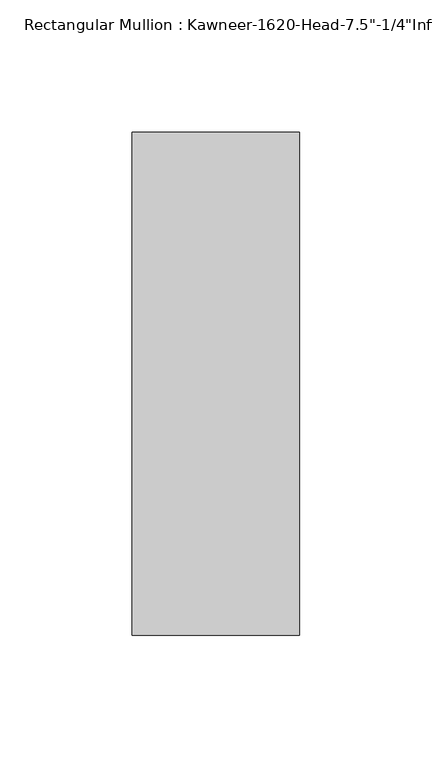
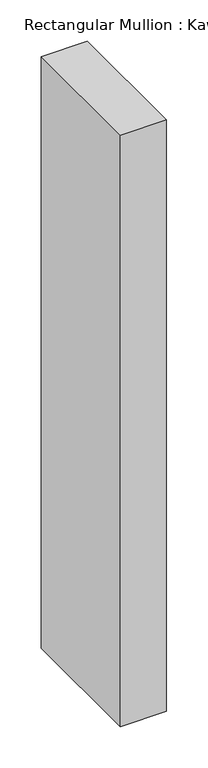
"""IFC4 building model written with IfcOpenShell, lengths in millimetres: member geometry."""

from ifc_helpers import new_model, si_unit, frame, origin, place, context, project, spatial, polyline, outline, extrude, source, transform, mapped, element, save


def member_6b9baef7(model_context):
    return source(origin(), model_context, "Body", "SweptSolid", [
        extrude(outline(polyline([(-63.5, 28.575), (0.0, 28.575), (0.0, -161.925), (-63.5, -161.925), (-63.5, 28.575)])), frame((0.0, 0.0, -870.8182369), z_axis=(0.0, 0.0, 1.0), x_axis=(1.0, 0.0, 0.0)), (0.0, 0.0, 1.0), 870.8182369),
    ])


if __name__ == "__main__":
    model = new_model("IFC4")
    model_context = context("Model", 3, world=origin())
    ifc_project = project(units=[si_unit("LENGTHUNIT", "METRE", prefix="MILLI")], contexts=[model_context])
    site = spatial("IfcSite", under=ifc_project)
    building = spatial("IfcBuilding", under=site)
    placement = place(None, origin())
    member_shape = member_6b9baef7(model_context)
    element("IfcMember", 1, ObjectType="Rectangular Mullion : Kawneer-1620-Head-7.5\"-1/4\"Infill-1C", at=placement, inside=building, context=model_context, shape_type="MappedRepresentation", body=[
        mapped(member_shape, transform((0.0, 0.0, 0.0), x_axis=(1.0, 0.0, 0.0), y_axis=(0.0, 1.0, 0.0), z_axis=(0.0, 0.0, 1.0))),
    ])
    save(model, "model.ifc")
